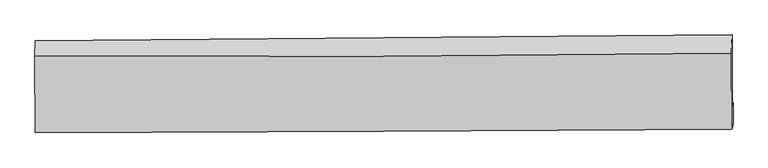
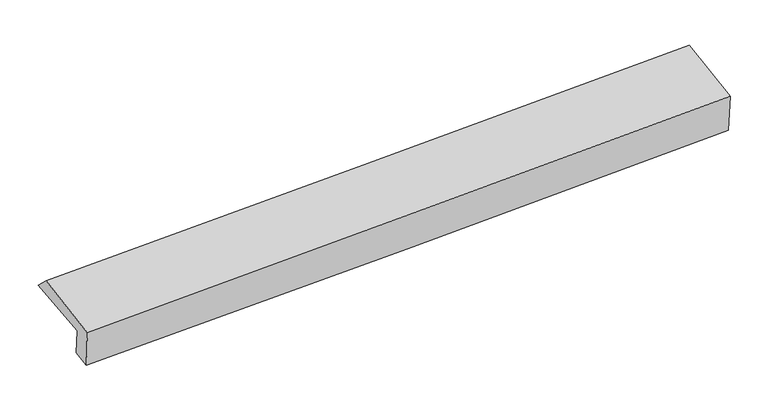
"""IFC4 building model written with IfcOpenShell, lengths in millimetres: proxy geometry."""

from ifc_helpers import new_model, si_unit, frame, origin, place, context, project, spatial, source, transform, mapped, element, save
from ifc_brep_helpers import plane_surface, spline_curve, spline_surface, advanced_brep


def generic_models_14b8a713(model_context):
    return source(origin(), model_context, "Body", "AdvancedBrep", [
        advanced_brep(
        [(-3029.2392975, -1816.4737753, 1894.9655364), (-3030.4522053, -1185.1023516, 1965.1415599), (3011.376587, -1134.6097238, 2152.0636975), (3012.1252154, -1755.2657927, 2096.9814219), (-3021.4801993, -1779.7986026, 1653.7101594), (3020.2798567, -1722.9225539, 1843.1113402), (-3021.0688548, -1948.5729896, 1632.2213889), (3020.7230196, -1904.751969, 1819.9603712), (-3032.1142022, -1981.8209141, 1976.6229532), (3008.854909, -1953.0651273, 2189.3748229), (-3034.7128974, -1320.4980224, 2091.7474727), (3006.484452, -1293.9488702, 2297.2352745)],
        [
            (0, 1),
            (1, 2, spline_curve(3, [(-3030.4522053, -1185.1023516, 1965.1415599), (-2022.963773466, -1175.820925495, 1980.519088398), (-1015.739853843, -1166.972538731, 2003.784416091), (998.203089485, -1150.141642028, 2066.091417572), (2004.922100743, -1142.15915282, 2105.133468689), (3011.376587, -1134.6097238, 2152.0636975)], [4, 2, 4], [0.0, 9.916468483102296, 19.833174575573636])),
            (2, 3),
            (3, 0, spline_curve(3, [(3012.1252154, -1755.2657927, 2096.9814219), (2005.690526194, -1769.002723711, 2049.115594842), (999.020104405, -1780.971894473, 2008.34790771), (-1014.768078017, -1801.374470896, 1941.00961923), (-2021.88582715, -1809.807960885, 1914.438678107), (-3029.2392975, -1816.4737753, 1894.9655364)], [4, 2, 4], [0.0, 9.91670609247134, 19.833174575573636])),
            (4, 0),
            (3, 5),
            (5, 4, spline_curve(3, [(3020.2798567, -1722.9225539, 1843.1113402), (2013.4470865, -1735.440313922, 1807.781127031), (1006.544663943, -1746.438903077, 1774.332422256), (-1007.375357775, -1765.397513191, 1711.19878531), (-2014.392954095, -1773.357606988, 1681.51376325), (-3021.4801993, -1779.7986026, 1653.7101594)], [4, 2, 4], [0.0, 9.916600898546747, 19.83296419024495])),
            (6, 4),
            (5, 7),
            (7, 6, spline_curve(3, [(3020.7230196, -1904.751969, 1819.9603712), (2013.884231328, -1914.800498408, 1784.944546701), (1006.976147947, -1923.476542038, 1751.791554011), (-1006.954479852, -1938.083483165, 1689.211982518), (-2013.977021568, -1944.014446334, 1659.785314408), (-3021.0688548, -1948.5729896, 1632.2213889)], [4, 2, 4], [0.0, 9.91636573852556, 19.83249387583713])),
            (8, 6),
            (7, 9),
            (9, 8, spline_curve(3, [(3008.854909, -1953.0651273, 2189.3748229), (2002.011258408, -1960.149696171, 2154.662375592), (995.169309569, -1966.088311157, 2119.576612335), (-1018.487060759, -1975.673518408, 2048.659304683), (-2025.301482382, -1979.320165607, 2012.827777805), (-3032.1142022, -1981.8209141, 1976.6229532)], [4, 2, 4], [0.0, 9.916151337119672, 19.832065078162522])),
            (10, 8),
            (9, 11),
            (11, 10, spline_curve(3, [(3006.484452, -1293.9488702, 2297.2352745), (1999.545456748, -1305.963709763, 2265.259153647), (992.636815542, -1314.183539656, 2232.146890818), (-1021.095632822, -1323.033075323, 2163.650902592), (-2027.919441511, -1323.662962644, 2128.26723142), (-3034.7128974, -1320.4980224, 2091.7474727)], [4, 2, 4], [0.0, 9.916110071371815, 19.831982547655556])),
            (1, 10),
            (11, 2),
        ],
        [
            spline_surface(3, 3, [[(-3029.2392975, -1816.4737753, 1894.9655364), (-2021.885827182, -1809.807960896, 1914.438678059), (-1014.768077934, -1801.374470761, 1941.009619302), (999.020104323, -1780.971894608, 2008.347907637), (2005.690526054, -1769.002723873, 2049.115594931), (3012.1252154, -1755.2657927, 2096.9814219)], [(-3029.643600089, -1606.016634072, 1918.35754421), (-2022.245142654, -1598.478949109, 1936.465481456), (-1015.092003238, -1589.907160086, 1961.93455159), (998.747766074, -1570.695143755, 2027.595744223), (2005.434384234, -1560.054866887, 2067.788219542), (3011.875672597, -1548.380436404, 2115.34218046)], [(-3030.047902711, -1395.559492828, 1941.74955209), (-2022.604458158, -1387.149937308, 1958.492284924), (-1015.415928587, -1378.439849398, 1982.85948393), (998.475427781, -1360.41839289, 2046.843580859), (2005.17824242, -1351.107009888, 2086.460844073), (3011.626129803, -1341.495080096, 2133.70293894)], [(-3030.4522053, -1185.1023516, 1965.1415599), (-2022.963773629, -1175.820925521, 1980.519088321), (-1015.73985389, -1166.972538722, 2003.784416218), (998.203089533, -1150.141642037, 2066.091417445), (2004.9221006, -1142.159152902, 2105.133468684), (3011.376587, -1134.6097238, 2152.0636975)]], [4, 4], [4, 2, 4], [0.0, 2.084908637065963], [0.0, 9.916468483102296, 19.833174575573636]),
            spline_surface(3, 3, [[(-3021.4801993, -1779.7986026, 1653.7101594), (-2014.392954152, -1773.357606833, 1681.513763347), (-1007.375357928, -1765.397513185, 1711.198785413), (1006.544664095, -1746.438903083, 1774.332422153), (2013.447086501, -1735.440313833, 1807.781127081), (3020.2798567, -1722.9225539, 1843.1113402)], [(-3024.066565359, -1792.023660181, 1734.128618395), (-2016.890578487, -1785.507724868, 1759.155401579), (-1009.839597917, -1777.389832385, 1787.802396699), (1004.036477517, -1757.949900266, 1852.337583971), (2010.861566335, -1746.627783863, 1888.225949704), (3017.561642916, -1733.703633517, 1927.734700773)], [(-3026.652931441, -1804.248717719, 1814.547077405), (-2019.388202846, -1797.65784286, 1836.797039826), (-1012.303837944, -1789.382151561, 1864.406008016), (1001.528290901, -1769.460897425, 1930.34274582), (2008.276046221, -1757.815253843, 1968.670772308), (3014.843429184, -1744.484713083, 2012.358061327)], [(-3029.2392975, -1816.4737753, 1894.9655364), (-2021.885827182, -1809.807960896, 1914.438678059), (-1014.768077934, -1801.374470761, 1941.009619302), (999.020104323, -1780.971894608, 2008.347907637), (2005.690526054, -1769.002723873, 2049.115594931), (3012.1252154, -1755.2657927, 2096.9814219)]], [4, 4], [4, 2, 4], [0.0, 0.7700004746955365], [0.0, 9.916363291698204, 19.83296419024495]),
            spline_surface(3, 3, [[(-3021.0688548, -1948.5729896, 1632.2213889), (-2013.977021654, -1944.014446329, 1659.78531436), (-1006.954480006, -1938.083483142, 1689.211982502), (1006.976148101, -1923.476542061, 1751.791554026), (2013.884231281, -1914.800498351, 1784.9445466), (3020.7230196, -1904.751969, 1819.9603712)], [(-3021.205969635, -1892.314860599, 1639.384312427), (-2014.115665821, -1887.128833163, 1667.028130716), (-1007.094772669, -1880.521493153, 1696.540916821), (1006.832320076, -1864.463995732, 1759.305176751), (2013.738516386, -1855.013770162, 1792.556740065), (3020.575298664, -1844.14216395, 1827.677360838)], [(-3021.343084465, -1836.056731601, 1646.547235873), (-2014.254309984, -1830.243219999, 1674.270946991), (-1007.235065264, -1822.959503174, 1703.869851094), (1006.68849212, -1805.451449412, 1766.818799429), (2013.592801397, -1795.227042022, 1800.168933616), (3020.427577636, -1783.53235895, 1835.394350562)], [(-3021.4801993, -1779.7986026, 1653.7101594), (-2014.392954152, -1773.357606833, 1681.513763347), (-1007.375357928, -1765.397513185, 1711.198785413), (1006.544664095, -1746.438903083, 1774.332422153), (2013.447086501, -1735.440313833, 1807.781127081), (3020.2798567, -1722.9225539, 1843.1113402)]], [4, 4], [4, 2, 4], [0.0, 0.5783268286216383], [0.0, 9.91612813731157, 19.83249387583713]),
            spline_surface(3, 3, [[(-3032.1142022, -1981.8209141, 1976.6229532), (-2025.30148223, -1979.320165745, 2012.827777766), (-1018.487060758, -1975.67351846, 2048.659304615), (995.169309567, -1966.088311106, 2119.576612403), (2002.011258481, -1960.149696128, 2154.662375457), (3008.854909, -1953.0651273, 2189.3748229)], [(-3028.432419742, -1970.738272589, 1861.822431753), (-2021.526662047, -1967.551592595, 1895.146956618), (-1014.642867171, -1963.143506693, 1928.843530584), (999.104922415, -1951.884388097, 1996.981592951), (2005.968916051, -1945.033296875, 2031.423099186), (3012.810945837, -1936.960741206, 2066.236672347)], [(-3024.750637258, -1959.655631111, 1747.021910347), (-2017.751841837, -1955.783019479, 1777.466135508), (-1010.798673593, -1950.613494909, 1809.027756533), (1003.040535253, -1937.68046507, 1874.386573478), (2009.926573711, -1929.916897604, 1908.183822871), (3016.766982763, -1920.856355094, 1943.098521753)], [(-3021.0688548, -1948.5729896, 1632.2213889), (-2013.977021654, -1944.014446329, 1659.78531436), (-1006.954480006, -1938.083483142, 1689.211982502), (1006.976148101, -1923.476542061, 1751.791554026), (2013.884231281, -1914.800498351, 1784.9445466), (3020.7230196, -1904.751969, 1819.9603712)]], [4, 4], [4, 2, 4], [0.0, 1.200810151272538], [0.0, 9.91591374104285, 19.832065078162522]),
            spline_surface(3, 3, [[(-3034.7128974, -1320.4980224, 2091.7474727), (-2027.919441497, -1323.662962578, 2128.267231256), (-1021.095632818, -1323.033075264, 2163.65090252), (992.636815539, -1314.183539715, 2232.146890889), (1999.545456636, -1305.963709644, 2265.259153577), (3006.484452, -1293.9488702, 2297.2352745)], [(-3033.846665655, -1540.938986314, 2053.372632859), (-2027.046788397, -1542.215363648, 2089.787413419), (-1020.2261088, -1540.579889662, 2125.320369885), (993.480980213, -1531.485130178, 2194.623464727), (2000.367390591, -1524.025705158, 2228.39356087), (3007.27460434, -1513.654289253, 2261.281790633)], [(-3032.980433945, -1761.379950186, 2014.997793041), (-2026.174135331, -1760.767764675, 2051.307595604), (-1019.356584776, -1758.126704061, 2086.98983725), (994.325144893, -1748.786720642, 2157.100038565), (2001.189324527, -1742.087700614, 2191.527968164), (3008.06475666, -1733.359708247, 2225.328306767)], [(-3032.1142022, -1981.8209141, 1976.6229532), (-2025.30148223, -1979.320165745, 2012.827777766), (-1018.487060758, -1975.67351846, 2048.659304615), (995.169309567, -1966.088311106, 2119.576612403), (2002.011258481, -1960.149696128, 2154.662375457), (3008.854909, -1953.0651273, 2189.3748229)]], [4, 4], [4, 2, 4], [0.0, 2.172332879156077], [0.0, 9.915872476283742, 19.831982547655556]),
            spline_surface(3, 3, [[(-3030.4522053, -1185.1023516, 1965.1415599), (-2022.963773629, -1175.820925521, 1980.519088321), (-1015.73985389, -1166.972538722, 2003.784416218), (998.203089533, -1150.141642037, 2066.091417445), (2004.9221006, -1142.159152902, 2105.133468684), (3011.376587, -1134.6097238, 2152.0636975)], [(-3031.872436019, -1230.234241845, 2007.343530856), (-2024.615662938, -1225.101604518, 2029.768469321), (-1017.525113539, -1218.992717555, 2057.073244991), (996.347664862, -1204.822274582, 2121.443241932), (2003.129885958, -1196.760671786, 2158.508696963), (3009.745875346, -1187.72277257, 2200.454223148)], [(-3033.292666681, -1275.366132155, 2049.545501744), (-2026.267552189, -1274.382283581, 2079.017850255), (-1019.31037317, -1271.012896431, 2110.362073748), (994.49224021, -1259.50290717, 2176.795066402), (2001.337671278, -1251.36219076, 2211.883925298), (3008.115163654, -1240.83582143, 2248.844748852)], [(-3034.7128974, -1320.4980224, 2091.7474727), (-2027.919441497, -1323.662962578, 2128.267231256), (-1021.095632818, -1323.033075264, 2163.65090252), (992.636815539, -1314.183539715, 2232.146890889), (1999.545456636, -1305.963709644, 2265.259153577), (3006.484452, -1293.9488702, 2297.2352745)]], [4, 4], [4, 2, 4], [0.0, 0.7496022804390258], [0.0, 9.915995313458684, 19.832228224948754]),
            plane_surface(frame((3013.30734, -1627.4273395, 2066.454488), z_axis=(0.9994898122036234, -0.0016253130565554918, 0.03189786291640436), x_axis=(0.03183938935329166, 0.12961300420253144, -0.9910533398496794))),
            plane_surface(frame((-3028.1779427, -1672.0444426, 1869.0681784), z_axis=(-0.9994898122036755, 0.0016253130563278055, -0.03189786291478531), x_axis=(0.0019093074282997922, -0.9938778375293087, -0.11046808866459729))),
        ],
        [
            (0, [[1, 2, 3, 4]]),
            (1, [[5, -4, 6, 7]]),
            (2, [[8, -7, 9, 10]]),
            (3, [[11, -10, 12, 13]]),
            (4, [[14, -13, 15, 16]]),
            (5, [[17, -16, 18, -2]]),
            (6, [[-12, -9, -6, -3, -18, -15]]),
            (7, [[-1, -5, -8, -11, -14, -17]]),
        ],
    ),
    ])


if __name__ == "__main__":
    model = new_model("IFC4")
    model_context = context("Model", 3, world=origin())
    ifc_project = project(units=[si_unit("LENGTHUNIT", "METRE", prefix="MILLI")], contexts=[model_context])
    site = spatial("IfcSite", under=ifc_project)
    building = spatial("IfcBuilding", under=site)
    placement = place(None, origin())
    generic_models_shape = generic_models_14b8a713(model_context)
    element("IfcBuildingElementProxy", 1, Name="Generic Models", at=placement, inside=building, context=model_context, shape_type="MappedRepresentation", body=[
        mapped(generic_models_shape, transform((0.0, 0.0, 0.0), x_axis=(1.0, 0.0, 0.0), y_axis=(0.0, 1.0, 0.0), z_axis=(0.0, 0.0, 1.0))),
    ])
    save(model, "model.ifc")
